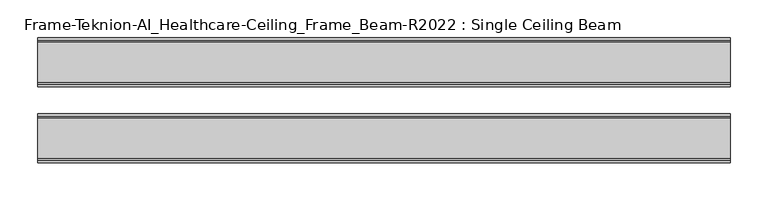
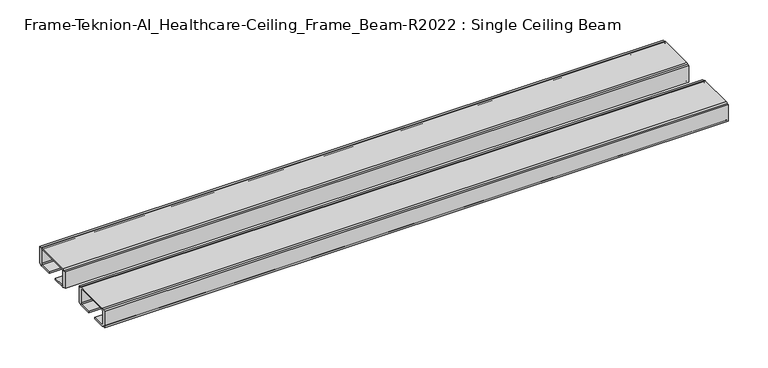
"""IFC4 building model written with IfcOpenShell, lengths in millimetres: furniture geometry, Frame-Teknion-AI_Healthcare-Ceiling_Frame_Beam-R2022 : Single Ceiling Beam."""

from ifc_helpers import new_model, si_unit, point, frame, frame_2d, origin, place, context, project, spatial, polyline, circle_curve, trimmed, segment, composite_curve, outline, extrude, source, transform, mapped, element, save


def frame_teknion_ai_healthcare_ceiling_frame_beam_r2022_single_9755c094(model_context):
    return source(origin(), model_context, "Body", "SweptSolid", [
        extrude(outline(composite_curve([segment(polyline([(82.1812471, 1573.5046), (79.0062502, 1573.5046), (79.0062502, 1574.6129989)]), True, "CONTINUOUS"), segment(trimmed(circle_curve(frame_2d((76.5932502, 1574.6129989)), 2.413), [point((79.0062502, 1574.6129989))], [point((76.5932502, 1572.199999))], False, "CARTESIAN"), True, "CONTINUOUS"), segment(polyline([(76.5932502, 1572.199999), (57.9437458, 1572.199999), (57.9437458, 1574.4859991), (75.4502513, 1574.4859991)]), True, "CONTINUOUS"), segment(trimmed(circle_curve(frame_2d((75.4502513, 1576.0099999)), 1.5240008), [point((75.4502513, 1574.4859991))], [point((76.9742521, 1576.0099999))], True, "CARTESIAN"), True, "CONTINUOUS"), segment(polyline([(76.9742521, 1576.0099999), (76.9742521, 1597.1520009)]), True, "CONTINUOUS"), segment(trimmed(circle_curve(frame_2d((75.9582531, 1597.1520009)), 1.015999), [point((76.9742521, 1597.1520009))], [point((75.9582531, 1598.168))], True, "CARTESIAN"), True, "CONTINUOUS"), segment(polyline([(75.9582531, 1598.168), (24.0542492, 1598.168)]), True, "CONTINUOUS"), segment(trimmed(circle_curve(frame_2d((24.0542492, 1597.1520009)), 1.015999), [point((24.0542492, 1598.168))], [point((23.0382502, 1597.1520009))], True, "CARTESIAN"), True, "CONTINUOUS"), segment(polyline([(23.0382502, 1597.1520009), (23.0382502, 1576.0099999)]), True, "CONTINUOUS"), segment(trimmed(circle_curve(frame_2d((24.562251, 1576.0099999)), 1.5240008), [point((23.0382502, 1576.0099999))], [point((24.562251, 1574.4859991))], True, "CARTESIAN"), True, "CONTINUOUS"), segment(polyline([(24.562251, 1574.4859991), (42.0687564, 1574.4859991), (42.0687564, 1572.199999), (23.4192521, 1572.199999)]), True, "CONTINUOUS"), segment(trimmed(circle_curve(frame_2d((23.4192521, 1574.6129989)), 2.413), [point((23.4192521, 1572.199999))], [point((21.0062521, 1574.6129989))], False, "CARTESIAN"), True, "CONTINUOUS"), segment(polyline([(21.0062521, 1574.6129989), (21.0062521, 1573.5046), (17.8312551, 1573.5046), (17.8312551, 1598.9045998), (21.0062521, 1598.9045998), (21.0062521, 1597.787)]), True, "CONTINUOUS"), segment(trimmed(circle_curve(frame_2d((23.4192521, 1597.787)), 2.413), [point((21.0062521, 1597.787))], [point((23.4192521, 1600.2))], False, "CARTESIAN"), True, "CONTINUOUS"), segment(polyline([(23.4192521, 1600.2), (76.5932502, 1600.2)]), True, "CONTINUOUS"), segment(trimmed(circle_curve(frame_2d((76.5932502, 1597.787)), 2.413), [point((76.5932502, 1600.2))], [point((79.0062502, 1597.787))], False, "CARTESIAN"), True, "CONTINUOUS"), segment(polyline([(79.0062502, 1597.787), (79.0062502, 1598.9045998), (82.1812471, 1598.9045998), (82.1812471, 1573.5046)]), True, "CONTINUOUS")], self_intersect=False)), frame((-455.3204, 0.0, 0.0), z_axis=(1.0, 0.0, 0.0), x_axis=(0.0, 1.0, 0.0)), (0.0, 0.0, 1.0), 910.6408),
        extrude(outline(composite_curve([segment(polyline([(-82.1812471, 1573.5046), (-82.1812471, 1598.9045998), (-79.0062456, 1598.9045998), (-79.0062456, 1597.787)]), True, "CONTINUOUS"), segment(trimmed(circle_curve(frame_2d((-76.5932457, 1597.787)), 2.413), [point((-79.0062456, 1597.787))], [point((-76.5932457, 1600.2))], False, "CARTESIAN"), True, "CONTINUOUS"), segment(polyline([(-76.5932457, 1600.2), (-23.4192475, 1600.2)]), True, "CONTINUOUS"), segment(trimmed(circle_curve(frame_2d((-23.4192475, 1597.787)), 2.413), [point((-23.4192475, 1600.2))], [point((-21.0062476, 1597.787))], False, "CARTESIAN"), True, "CONTINUOUS"), segment(polyline([(-21.0062476, 1597.787), (-21.0062476, 1598.9045998), (-17.8312506, 1598.9045998), (-17.8312506, 1573.5046), (-21.0062476, 1573.5046), (-21.0062476, 1574.6129989)]), True, "CONTINUOUS"), segment(trimmed(circle_curve(frame_2d((-23.4192475, 1574.6129989)), 2.413), [point((-21.0062476, 1574.6129989))], [point((-23.4192475, 1572.199999))], False, "CARTESIAN"), True, "CONTINUOUS"), segment(polyline([(-23.4192475, 1572.199999), (-42.0687519, 1572.199999), (-42.0687519, 1574.4859991), (-24.5622464, 1574.4859991)]), True, "CONTINUOUS"), segment(trimmed(circle_curve(frame_2d((-24.5622464, 1576.0099999)), 1.5240008), [point((-24.5622464, 1574.4859991))], [point((-23.0382456, 1576.0099999))], True, "CARTESIAN"), True, "CONTINUOUS"), segment(polyline([(-23.0382456, 1576.0099999), (-23.0382456, 1597.1520009)]), True, "CONTINUOUS"), segment(trimmed(circle_curve(frame_2d((-24.0542446, 1597.1520009)), 1.015999), [point((-23.0382456, 1597.1520009))], [point((-24.0542446, 1598.168))], True, "CARTESIAN"), True, "CONTINUOUS"), segment(polyline([(-24.0542446, 1598.168), (-75.9582485, 1598.168)]), True, "CONTINUOUS"), segment(trimmed(circle_curve(frame_2d((-75.9582485, 1597.1520009)), 1.015999), [point((-75.9582485, 1598.168))], [point((-76.9742476, 1597.1520009))], True, "CARTESIAN"), True, "CONTINUOUS"), segment(polyline([(-76.9742476, 1597.1520009), (-76.9742476, 1576.0099999)]), True, "CONTINUOUS"), segment(trimmed(circle_curve(frame_2d((-75.4502468, 1576.0099999)), 1.5240008), [point((-76.9742476, 1576.0099999))], [point((-75.4502468, 1574.4859991))], True, "CARTESIAN"), True, "CONTINUOUS"), segment(polyline([(-75.4502468, 1574.4859991), (-57.9437413, 1574.4859991), (-57.9437413, 1572.199999), (-76.5932457, 1572.199999)]), True, "CONTINUOUS"), segment(trimmed(circle_curve(frame_2d((-76.5932457, 1574.6129989)), 2.413), [point((-76.5932457, 1572.199999))], [point((-79.0062456, 1574.6129989))], False, "CARTESIAN"), True, "CONTINUOUS"), segment(polyline([(-79.0062456, 1574.6129989), (-79.0062456, 1573.5046), (-82.1812471, 1573.5046)]), True, "CONTINUOUS")], self_intersect=False)), frame((-455.3204, 0.0, 0.0), z_axis=(1.0, 0.0, 0.0), x_axis=(0.0, 1.0, 0.0)), (0.0, 0.0, 1.0), 910.6408),
    ])


if __name__ == "__main__":
    model = new_model("IFC4")
    model_context = context("Model", 3, world=origin())
    ifc_project = project(units=[si_unit("LENGTHUNIT", "METRE", prefix="MILLI")], contexts=[model_context])
    site = spatial("IfcSite", under=ifc_project)
    building = spatial("IfcBuilding", under=site)
    placement = place(None, origin())
    frame_teknion_ai_healthcare_ceiling_frame_beam_r2022_single_shape = frame_teknion_ai_healthcare_ceiling_frame_beam_r2022_single_9755c094(model_context)
    element("IfcFurniture", 1, ObjectType="Frame-Teknion-AI_Healthcare-Ceiling_Frame_Beam-R2022 : Single Ceiling Beam", at=placement, inside=building, context=model_context, shape_type="MappedRepresentation", body=[
        mapped(frame_teknion_ai_healthcare_ceiling_frame_beam_r2022_single_shape, transform((0.0, 0.0, 0.0), x_axis=(1.0, 0.0, 0.0), y_axis=(0.0, 1.0, 0.0), z_axis=(0.0, 0.0, 1.0))),
    ])
    save(model, "model.ifc")
